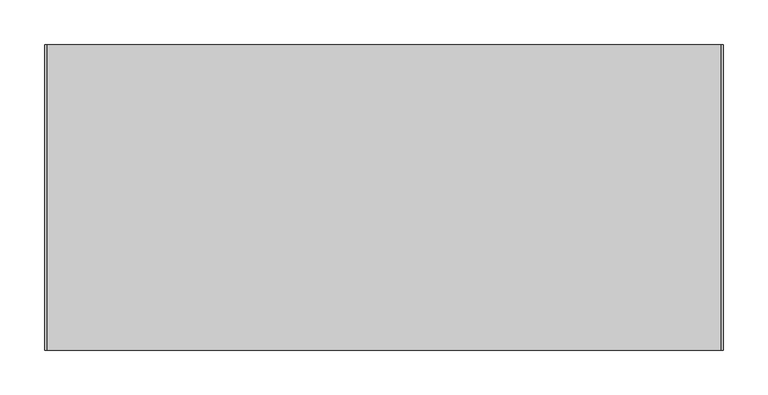
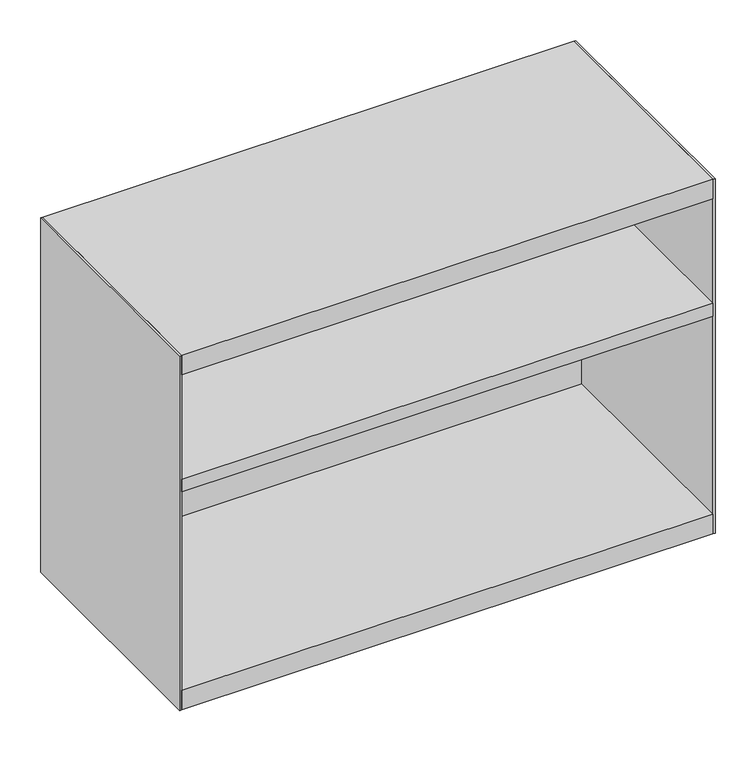
"""IFC4 building model written with IfcOpenShell, lengths in millimetres: furniture geometry."""

from ifc_helpers import new_model, si_unit, frame, origin, place, context, project, spatial, polyline, circle_curve, outline, extrude, source, transform, mapped, element, save
from ifc_brep_helpers import plane_surface, cylinder_surface, advanced_brep


def furniture_79467710(model_context):
    return source(origin(), model_context, "Body", "SolidModel", [
        advanced_brep(
        [(66.9289998, -50.8000015, 9.525), (41.5290013, -50.8000015, 9.525), (50.2602498, -50.8000015, 9.525), (58.1977513, -50.8000015, 9.525), (66.9289998, -50.8000015, 0.0), (41.5290013, -50.8000015, 0.0), (58.1977513, -50.8000015, 25.4000008), (50.2602498, -50.8000015, 25.4000008)],
        [
            (0, 1, circle_curve(frame((54.2290005, -50.8000015, 9.525), z_axis=(0.0, 0.0, 1.0), x_axis=(-1.0, 0.0, 0.0)), 12.6999992)),
            (1, 0, circle_curve(frame((54.2290005, -50.8000015, 9.525), z_axis=(0.0, 0.0, 1.0), x_axis=(-1.0, 0.0, 0.0)), 12.6999992)),
            (2, 3, circle_curve(frame((54.2290005, -50.8000015, 9.525), z_axis=(0.0, 0.0, -1.0), x_axis=(-1.0, 0.0, 0.0)), 3.9687508)),
            (3, 2, circle_curve(frame((54.2290005, -50.8000015, 9.525), z_axis=(0.0, 0.0, -1.0), x_axis=(-1.0, 0.0, 0.0)), 3.9687508)),
            (4, 5, circle_curve(frame((54.2290005, -50.8000015, 0.0), z_axis=(0.0, 0.0, -1.0), x_axis=(-1.0, 0.0, 0.0)), 12.6999992)),
            (5, 4, circle_curve(frame((54.2290005, -50.8000015, 0.0), z_axis=(0.0, 0.0, -1.0), x_axis=(-1.0, 0.0, 0.0)), 12.6999992)),
            (0, 4),
            (5, 1),
            (6, 7, circle_curve(frame((54.2290005, -50.8000015, 25.4000008), z_axis=(0.0, 0.0, 1.0), x_axis=(-1.0, 0.0, 0.0)), 3.9687508)),
            (7, 6, circle_curve(frame((54.2290005, -50.8000015, 25.4000008), z_axis=(0.0, 0.0, 1.0), x_axis=(-1.0, 0.0, 0.0)), 3.9687508)),
            (6, 3),
            (2, 7),
        ],
        [
            plane_surface(frame((41.5290013, -50.8000015, 9.525), z_axis=(0.0, 0.0, 1.0), x_axis=(0.0, -1.0, 0.0))),
            plane_surface(frame((41.5290013, -50.8000015, 0.0), z_axis=(0.0, 0.0, -1.0), x_axis=(0.0, 1.0, 0.0))),
            cylinder_surface(frame((54.2290005, -50.8000015, 0.0), z_axis=(0.0, 0.0, 1.0), x_axis=(-1.0, 0.0, 0.0)), 12.6999992),
            plane_surface(frame((50.2602498, -50.8000015, 25.4000008), z_axis=(0.0, 0.0, 1.0), x_axis=(0.0, -1.0, 0.0))),
            cylinder_surface(frame((54.2290005, -50.8000015, 9.525), z_axis=(0.0, 0.0, 1.0), x_axis=(-1.0, 0.0, 0.0)), 3.9687508),
        ],
        [
            (0, [[1, 2], [3, 4]]),
            (1, [[5, 6]]),
            (2, [[-1, 7, -6, 8]]),
            (2, [[-2, -8, -5, -7]]),
            (3, [[9, 10]]),
            (4, [[-9, 11, -3, 12]]),
            (4, [[-10, -12, -4, -11]]),
        ],
    ),
        advanced_brep(
        [(66.9289998, -292.1000122, 9.525), (41.5290013, -292.1000122, 9.525), (50.2602498, -292.1000122, 9.525), (58.1977513, -292.1000122, 9.525), (66.9289998, -292.1000122, 0.0), (41.5290013, -292.1000122, 0.0), (58.1977513, -292.1000122, 25.4000008), (50.2602498, -292.1000122, 25.4000008)],
        [
            (0, 1, circle_curve(frame((54.2290005, -292.1000122, 9.525), z_axis=(0.0, 0.0, 1.0), x_axis=(-1.0, 0.0, 0.0)), 12.6999992)),
            (1, 0, circle_curve(frame((54.2290005, -292.1000122, 9.525), z_axis=(0.0, 0.0, 1.0), x_axis=(-1.0, 0.0, 0.0)), 12.6999992)),
            (2, 3, circle_curve(frame((54.2290005, -292.1000122, 9.525), z_axis=(0.0, 0.0, -1.0), x_axis=(-1.0, 0.0, 0.0)), 3.9687508)),
            (3, 2, circle_curve(frame((54.2290005, -292.1000122, 9.525), z_axis=(0.0, 0.0, -1.0), x_axis=(-1.0, 0.0, 0.0)), 3.9687508)),
            (4, 5, circle_curve(frame((54.2290005, -292.1000122, 0.0), z_axis=(0.0, 0.0, -1.0), x_axis=(-1.0, 0.0, 0.0)), 12.6999992)),
            (5, 4, circle_curve(frame((54.2290005, -292.1000122, 0.0), z_axis=(0.0, 0.0, -1.0), x_axis=(-1.0, 0.0, 0.0)), 12.6999992)),
            (0, 4),
            (5, 1),
            (6, 7, circle_curve(frame((54.2290005, -292.1000122, 25.4000008), z_axis=(0.0, 0.0, 1.0), x_axis=(-1.0, 0.0, 0.0)), 3.9687508)),
            (7, 6, circle_curve(frame((54.2290005, -292.1000122, 25.4000008), z_axis=(0.0, 0.0, 1.0), x_axis=(-1.0, 0.0, 0.0)), 3.9687508)),
            (6, 3),
            (2, 7),
        ],
        [
            plane_surface(frame((41.5290013, -50.8000015, 9.525), z_axis=(0.0, 0.0, 1.0), x_axis=(0.0, -1.0, 0.0))),
            plane_surface(frame((41.5290013, -50.8000015, 0.0), z_axis=(0.0, 0.0, -1.0), x_axis=(0.0, 1.0, 0.0))),
            cylinder_surface(frame((54.2290005, -292.1000122, 0.0), z_axis=(0.0, 0.0, 1.0), x_axis=(-1.0, 0.0, 0.0)), 12.6999992),
            plane_surface(frame((50.2602498, -50.8000015, 25.4000008), z_axis=(0.0, 0.0, 1.0), x_axis=(0.0, -1.0, 0.0))),
            cylinder_surface(frame((54.2290005, -292.1000122, 0.0), z_axis=(0.0, 0.0, 1.0), x_axis=(-1.0, 0.0, 0.0)), 3.9687508),
        ],
        [
            (0, [[1, 2], [3, 4]]),
            (1, [[5, 6]]),
            (2, [[-1, 7, -6, 8]]),
            (2, [[-2, -8, -5, -7]]),
            (3, [[9, 10]]),
            (4, [[-9, 11, -3, 12]]),
            (4, [[-10, -12, -4, -11]]),
        ],
    ),
        advanced_brep(
        [(720.4709715, -50.8000015, 9.525), (695.070973, -50.8000015, 9.525), (703.8022215, -50.8000015, 9.525), (711.739723, -50.8000015, 9.525), (720.4709715, -50.8000015, 0.0), (695.070973, -50.8000015, 0.0), (711.739723, -50.8000015, 25.4000008), (703.8022215, -50.8000015, 25.4000008)],
        [
            (0, 1, circle_curve(frame((707.7709722, -50.8000015, 9.525), z_axis=(0.0, 0.0, 1.0), x_axis=(-1.0, 0.0, 0.0)), 12.6999992)),
            (1, 0, circle_curve(frame((707.7709722, -50.8000015, 9.525), z_axis=(0.0, 0.0, 1.0), x_axis=(-1.0, 0.0, 0.0)), 12.6999992)),
            (2, 3, circle_curve(frame((707.7709722, -50.8000015, 9.525), z_axis=(0.0, 0.0, -1.0), x_axis=(-1.0, 0.0, 0.0)), 3.9687508)),
            (3, 2, circle_curve(frame((707.7709722, -50.8000015, 9.525), z_axis=(0.0, 0.0, -1.0), x_axis=(-1.0, 0.0, 0.0)), 3.9687508)),
            (4, 5, circle_curve(frame((707.7709722, -50.8000015, 0.0), z_axis=(0.0, 0.0, -1.0), x_axis=(-1.0, 0.0, 0.0)), 12.6999992)),
            (5, 4, circle_curve(frame((707.7709722, -50.8000015, 0.0), z_axis=(0.0, 0.0, -1.0), x_axis=(-1.0, 0.0, 0.0)), 12.6999992)),
            (0, 4),
            (5, 1),
            (6, 7, circle_curve(frame((707.7709722, -50.8000015, 25.4000008), z_axis=(0.0, 0.0, 1.0), x_axis=(-1.0, 0.0, 0.0)), 3.9687508)),
            (7, 6, circle_curve(frame((707.7709722, -50.8000015, 25.4000008), z_axis=(0.0, 0.0, 1.0), x_axis=(-1.0, 0.0, 0.0)), 3.9687508)),
            (6, 3),
            (2, 7),
        ],
        [
            plane_surface(frame((41.5290013, -50.8000015, 9.525), z_axis=(0.0, 0.0, 1.0), x_axis=(0.0, -1.0, 0.0))),
            plane_surface(frame((41.5290013, -50.8000015, 0.0), z_axis=(0.0, 0.0, -1.0), x_axis=(0.0, 1.0, 0.0))),
            cylinder_surface(frame((707.7709722, -50.8000015, 0.0), z_axis=(0.0, 0.0, 1.0), x_axis=(-1.0, 0.0, 0.0)), 12.6999992),
            plane_surface(frame((50.2602498, -50.8000015, 25.4000008), z_axis=(0.0, 0.0, 1.0), x_axis=(0.0, -1.0, 0.0))),
            cylinder_surface(frame((707.7709722, -50.8000015, 0.0), z_axis=(0.0, 0.0, 1.0), x_axis=(-1.0, 0.0, 0.0)), 3.9687508),
        ],
        [
            (0, [[1, 2], [3, 4]]),
            (1, [[5, 6]]),
            (2, [[-1, 7, -6, 8]]),
            (2, [[-2, -8, -5, -7]]),
            (3, [[9, 10]]),
            (4, [[-9, 11, -3, 12]]),
            (4, [[-10, -12, -4, -11]]),
        ],
    ),
        advanced_brep(
        [(720.4709715, -292.1000122, 9.525), (695.070973, -292.1000122, 9.525), (703.8022215, -292.1000122, 9.525), (711.739723, -292.1000122, 9.525), (720.4709715, -292.1000122, 0.0), (695.070973, -292.1000122, 0.0), (711.739723, -292.1000122, 25.4000008), (703.8022215, -292.1000122, 25.4000008)],
        [
            (0, 1, circle_curve(frame((707.7709722, -292.1000122, 9.525), z_axis=(0.0, 0.0, 1.0), x_axis=(-1.0, 0.0, 0.0)), 12.6999992)),
            (1, 0, circle_curve(frame((707.7709722, -292.1000122, 9.525), z_axis=(0.0, 0.0, 1.0), x_axis=(-1.0, 0.0, 0.0)), 12.6999992)),
            (2, 3, circle_curve(frame((707.7709722, -292.1000122, 9.525), z_axis=(0.0, 0.0, -1.0), x_axis=(-1.0, 0.0, 0.0)), 3.9687508)),
            (3, 2, circle_curve(frame((707.7709722, -292.1000122, 9.525), z_axis=(0.0, 0.0, -1.0), x_axis=(-1.0, 0.0, 0.0)), 3.9687508)),
            (4, 5, circle_curve(frame((707.7709722, -292.1000122, 0.0), z_axis=(0.0, 0.0, -1.0), x_axis=(-1.0, 0.0, 0.0)), 12.6999992)),
            (5, 4, circle_curve(frame((707.7709722, -292.1000122, 0.0), z_axis=(0.0, 0.0, -1.0), x_axis=(-1.0, 0.0, 0.0)), 12.6999992)),
            (0, 4),
            (5, 1),
            (6, 7, circle_curve(frame((707.7709722, -292.1000122, 25.4000008), z_axis=(0.0, 0.0, 1.0), x_axis=(-1.0, 0.0, 0.0)), 3.9687508)),
            (7, 6, circle_curve(frame((707.7709722, -292.1000122, 25.4000008), z_axis=(0.0, 0.0, 1.0), x_axis=(-1.0, 0.0, 0.0)), 3.9687508)),
            (6, 3),
            (2, 7),
        ],
        [
            plane_surface(frame((41.5290013, -50.8000015, 9.525), z_axis=(0.0, 0.0, 1.0), x_axis=(0.0, -1.0, 0.0))),
            plane_surface(frame((41.5290013, -50.8000015, 0.0), z_axis=(0.0, 0.0, -1.0), x_axis=(0.0, 1.0, 0.0))),
            cylinder_surface(frame((707.7709722, -292.1000122, 0.0), z_axis=(0.0, 0.0, 1.0), x_axis=(-1.0, 0.0, 0.0)), 12.6999992),
            plane_surface(frame((50.2602498, -50.8000015, 25.4000008), z_axis=(0.0, 0.0, 1.0), x_axis=(0.0, -1.0, 0.0))),
            cylinder_surface(frame((707.7709722, -292.1000122, 0.0), z_axis=(0.0, 0.0, 1.0), x_axis=(-1.0, 0.0, 0.0)), 3.9687508),
        ],
        [
            (0, [[1, 2], [3, 4]]),
            (1, [[5, 6]]),
            (2, [[-1, 7, -6, 8]]),
            (2, [[-2, -8, -5, -7]]),
            (3, [[9, 10]]),
            (4, [[-9, 11, -3, 12]]),
            (4, [[-10, -12, -4, -11]]),
        ],
    ),
        extrude(outline(polyline([(758.9621767, 0.0), (758.9621767, -19.05), (3.03784, -19.05), (3.03784, 0.0), (758.9621767, 0.0)])), frame((0.0, 0.0, 54.7624005), z_axis=(0.0, 0.0, 1.0), x_axis=(1.0, 0.0, 0.0)), (0.0, 0.0, 1.0), 474.6751839),
        extrude(outline(polyline([(758.9621767, -19.05), (758.9621767, -342.9), (3.03784, -342.9), (3.03784, -19.05), (758.9621767, -19.05)])), frame((0.0, 0.0, 353.2124156), z_axis=(0.0, 0.0, 1.0), x_axis=(1.0, 0.0, 0.0)), (0.0, 0.0, 1.0), 19.05),
        extrude(outline(polyline([(758.9621767, 0.0), (758.9621767, -342.9), (3.03784, -342.9), (3.03784, 0.0), (758.9621767, 0.0)])), frame((0.0, 0.0, 529.4375844), z_axis=(0.0, 0.0, 1.0), x_axis=(1.0, 0.0, 0.0)), (0.0, 0.0, 1.0), 29.3624156),
        extrude(outline(polyline([(758.9621767, 0.0), (758.9621767, -342.9), (3.03784, -342.9), (3.03784, 0.0), (758.9621767, 0.0)])), frame((0.0, 0.0, 25.4000008), z_axis=(0.0, 0.0, 1.0), x_axis=(1.0, 0.0, 0.0)), (0.0, 0.0, 1.0), 29.3623997),
        extrude(outline(polyline([(3.03784, 0.0), (3.03784, -342.9), (0.0, -342.9), (0.0, 0.0), (3.03784, 0.0)])), frame((0.0, 0.0, 25.4000008), z_axis=(0.0, 0.0, 1.0), x_axis=(1.0, 0.0, 0.0)), (0.0, 0.0, 1.0), 533.3999992),
        extrude(outline(polyline([(762.0, 0.0), (762.0, -342.9), (758.9621767, -342.9), (758.9621767, 0.0), (762.0, 0.0)])), frame((0.0, 0.0, 25.4000008), z_axis=(0.0, 0.0, 1.0), x_axis=(1.0, 0.0, 0.0)), (0.0, 0.0, 1.0), 533.3999992),
    ])


if __name__ == "__main__":
    model = new_model("IFC4")
    model_context = context("Model", 3, world=origin())
    ifc_project = project(units=[si_unit("LENGTHUNIT", "METRE", prefix="MILLI")], contexts=[model_context])
    site = spatial("IfcSite", under=ifc_project)
    building = spatial("IfcBuilding", under=site)
    placement = place(None, origin())
    furniture_shape = furniture_79467710(model_context)
    element("IfcFurniture", 1, at=placement, inside=building, context=model_context, shape_type="MappedRepresentation", body=[
        mapped(furniture_shape, transform((0.0, 0.0, 0.0), x_axis=(1.0, 0.0, 0.0), y_axis=(0.0, 1.0, 0.0), z_axis=(0.0, 0.0, 1.0))),
    ])
    save(model, "model.ifc")
